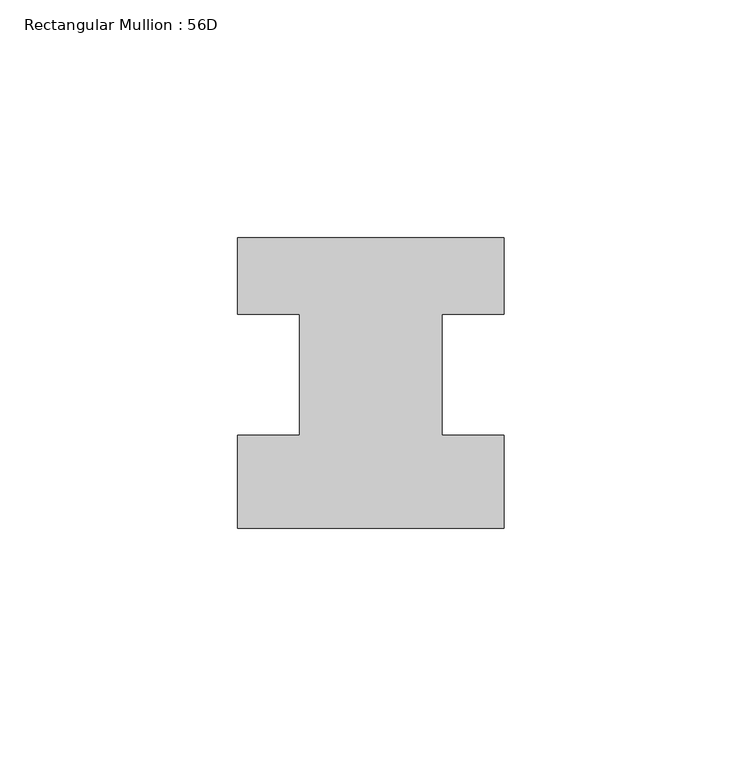
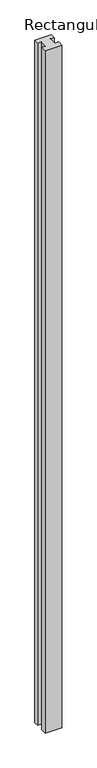
"""IFC4 building model written with IfcOpenShell, lengths in millimetres: member geometry, Rectangular Mullion : 56D."""

import ifcopenshell
import ifcopenshell.guid

model = None  # the IFC model being written
_history = None  # IfcOwnerHistory: only IFC2X3 demands one
_inside = {}  # id of a spatial element -> (the spatial element, [elements in it])
_under = {}  # id of a project, library or spatial element -> (it, [spatial elements below it])
_declared = {}  # id of a project -> (the project, [libraries it declares])
_typed = {}  # id of a type object -> (the type object, [elements of that type])
_made_of = {}  # id of a material, layer set ... -> (it, [elements and type objects made of it])


def new_model(schema):
    """Start an empty IFC model of exactly this schema.

    Asked for "IFC4X3", IfcOpenShell would pick the latest addendum, in which some entities
    have other attributes; the version numbers below select the first issue.
    IFC2X3 requires an IfcOwnerHistory on every rooted entity: one is made here for all.
    """
    global model, _history
    if schema == "IFC4X3":
        model = ifcopenshell.file(schema_version=(4, 3, 0, 0))
    else:
        model = ifcopenshell.file(schema=schema)
    _inside.clear()
    _under.clear()
    _declared.clear()
    _typed.clear()
    _made_of.clear()
    _history = None
    if model.schema == "IFC2X3":
        org = make("IfcOrganization", Name="unknown")
        user = make(
            "IfcPersonAndOrganization",
            ThePerson=make("IfcPerson", FamilyName="unknown"),
            TheOrganization=org,
        )
        app = make(
            "IfcApplication",
            ApplicationDeveloper=org,
            Version="unknown",
            ApplicationFullName="unknown",
            ApplicationIdentifier="unknown",
        )
        _history = make(
            "IfcOwnerHistory",
            OwningUser=user,
            OwningApplication=app,
            ChangeAction="ADDED",
            CreationDate=0,
        )
    return model


def make(cls, **values):
    """One entity of the class cls with the attributes given. An attribute that is None is left unset."""
    return model.create_entity(
        cls, **{name: value for name, value in values.items() if value is not None}
    )


def rooted(cls, **values):
    """An entity with a GlobalId (a new one), such as an element, a storey or a relation."""
    return make(cls, GlobalId=ifcopenshell.guid.new(), OwnerHistory=_history, **values)


def si_unit(unit_type, name, prefix=None):
    """IfcSIUnit, for example si_unit("LENGTHUNIT", "METRE", prefix="MILLI")."""
    return make("IfcSIUnit", UnitType=unit_type, Prefix=prefix, Name=name)


def assignment(units):
    """IfcUnitAssignment: the units of a project."""
    return None if units is None else make("IfcUnitAssignment", Units=units)


def point(xyz):
    """IfcCartesianPoint."""
    return None if xyz is None else make("IfcCartesianPoint", Coordinates=xyz)


def direction(xyz):
    """IfcDirection."""
    return None if xyz is None else make("IfcDirection", DirectionRatios=xyz)


def frame(location, z_axis=None, x_axis=None):
    """IfcAxis2Placement3D, a coordinate frame: its origin and axes. An axis left out is left unset."""
    return make(
        "IfcAxis2Placement3D",
        Location=point(location),
        Axis=direction(z_axis),
        RefDirection=direction(x_axis),
    )


def origin():
    """The frame at (0, 0, 0) with its axes left unset."""
    return frame((0.0, 0.0, 0.0))


def place(relative_to, where):
    """IfcLocalPlacement: puts the frame where relative to a parent placement (None: the world)."""
    return make(
        "IfcLocalPlacement", PlacementRelTo=relative_to, RelativePlacement=where
    )


def context(
    kind, dimensions, precision=None, world=None, true_north=None, identifier=None
):
    """IfcGeometricRepresentationContext, for example the 3D "Model" context."""
    return make(
        "IfcGeometricRepresentationContext",
        ContextIdentifier=identifier,
        ContextType=kind,
        CoordinateSpaceDimension=dimensions,
        Precision=precision,
        WorldCoordinateSystem=world,
        TrueNorth=true_north,
    )


def project(units=None, contexts=None):
    """IfcProject with its units and contexts."""
    return rooted(
        "IfcProject",
        Name="project",
        RepresentationContexts=contexts,
        UnitsInContext=assignment(units),
    )


def spatial(cls, under=None, at=None, **own):
    """A site, building, storey or space (cls), placed at a placement, below another one or the project."""
    s = rooted(cls, ObjectPlacement=at, **own)
    if under is not None:
        _under.setdefault(under.id(), (under, []))[1].append(s)
    return s


def polyline(points):
    """IfcPolyline through the points."""
    return make("IfcPolyline", Points=[point(p) for p in points])


def outline(outer, holes=None, kind="AREA"):
    """IfcArbitraryClosedProfileDef: a profile drawn as a closed curve; with holes, ...WithVoids."""
    if holes is None:
        return make("IfcArbitraryClosedProfileDef", ProfileType=kind, OuterCurve=outer)
    return make(
        "IfcArbitraryProfileDefWithVoids",
        ProfileType=kind,
        OuterCurve=outer,
        InnerCurves=holes,
    )


def extrude(swept, where, along, depth):
    """IfcExtrudedAreaSolid: the profile swept, set in the frame where, extruded along a direction by depth."""
    return make(
        "IfcExtrudedAreaSolid",
        SweptArea=swept,
        Position=where,
        ExtrudedDirection=direction(along),
        Depth=depth,
    )


def shape(context_of_items, identifier, shape_type, items):
    """IfcShapeRepresentation: the items that make up one representation, for example the "Body"."""
    return make(
        "IfcShapeRepresentation",
        ContextOfItems=context_of_items,
        RepresentationIdentifier=identifier,
        RepresentationType=shape_type,
        Items=items,
    )


def source(mapping_origin, context_of_items, identifier, shape_type, items):
    """IfcRepresentationMap: a shape defined once, which mapped items show again and again."""
    return make(
        "IfcRepresentationMap",
        MappingOrigin=mapping_origin,
        MappedRepresentation=shape(context_of_items, identifier, shape_type, items),
    )


def transform(
    local_origin,
    x_axis=None,
    y_axis=None,
    z_axis=None,
    scale=None,
    scale2=None,
    scale3=None,
    uniform=True,
):
    """IfcCartesianTransformationOperator3D, or its non-uniform kind. x_axis, y_axis, z_axis: its Axis1, 2, 3."""
    if uniform:
        return make(
            "IfcCartesianTransformationOperator3D",
            Axis1=direction(x_axis),
            Axis2=direction(y_axis),
            LocalOrigin=point(local_origin),
            Scale=scale,
            Axis3=direction(z_axis),
        )
    return make(
        "IfcCartesianTransformationOperator3DnonUniform",
        Axis1=direction(x_axis),
        Axis2=direction(y_axis),
        LocalOrigin=point(local_origin),
        Scale=scale,
        Axis3=direction(z_axis),
        Scale2=scale2,
        Scale3=scale3,
    )


def mapped(mapping_source, mapping_target):
    """IfcMappedItem: shows the shape of a source again, moved by a transform."""
    return make(
        "IfcMappedItem", MappingSource=mapping_source, MappingTarget=mapping_target
    )


def made_of(thing, what):
    """Note that an element or type object is made of a material, layer set ...; save() writes the relation."""
    if what is not None:
        _made_of.setdefault(what.id(), (what, []))[1].append(thing)
    return thing


def element(
    cls,
    number,
    at=None,
    inside=None,
    cuts=None,
    type_object=None,
    material=None,
    context=None,
    identifier="Body",
    shape_type=None,
    held_by="IfcProductDefinitionShape",
    body=None,
    shapes=None,
    **own,
):
    """One element of the class cls, such as IfcWall. Its Tag is "e" and its number.

    at: its placement. inside: the storey or other place that contains it. cuts: it is an
    opening in that element (IfcRelVoidsElement). A single representation is given by context,
    identifier, shape_type and body (its items); several are given by shapes. held_by: the class
    of the entity that holds the representations. save() writes the other relations.
    """
    e = rooted(cls, Tag="e%d" % number, ObjectPlacement=at, **own)
    if body is not None:
        shapes = [shape(context, identifier, shape_type, body)]
    if shapes is not None:
        e.Representation = make(held_by, Representations=shapes)
    if inside is not None:
        _inside.setdefault(inside.id(), (inside, []))[1].append(e)
    if cuts is not None:
        rooted(
            "IfcRelVoidsElement", RelatingBuildingElement=cuts, RelatedOpeningElement=e
        )
    if type_object is not None:
        _typed.setdefault(type_object.id(), (type_object, []))[1].append(e)
    return made_of(e, material)


def aggregate(whole, parts):
    """IfcRelAggregates: a whole, such as a stair, and the parts it consists of."""
    return rooted("IfcRelAggregates", RelatingObject=whole, RelatedObjects=parts)


def save(model, path):
    """Write the relations noted so far, then the file.

    IfcRelAggregates (storeys below a building ...), IfcRelContainedInSpatialStructure (elements
    in a storey), IfcRelDefinesByType, IfcRelAssociatesMaterial and IfcRelDeclares: one each for
    every whole, place, type object, material and project.
    """
    for whole, parts in _under.values():
        aggregate(whole, parts)
    for where, things in _inside.values():
        rooted(
            "IfcRelContainedInSpatialStructure",
            RelatedElements=things,
            RelatingStructure=where,
        )
    for kind, things in _typed.values():
        rooted("IfcRelDefinesByType", RelatedObjects=things, RelatingType=kind)
    for what, things in _made_of.values():
        rooted("IfcRelAssociatesMaterial", RelatedObjects=things, RelatingMaterial=what)
    for by, libraries in _declared.values():
        rooted("IfcRelDeclares", RelatingContext=by, RelatedDefinitions=libraries)
    model.write(path)


def rectangular_mullion_56d_c5c21e0e(model_context):
    return source(origin(), model_context, "Body", "SweptSolid", [
        extrude(outline(polyline([(28.0, -20.0), (-28.0, -20.0), (-28.0, -0.5), (-15.0, -0.5), (-15.0, 25.0), (-28.0, 25.0), (-28.0, 41.0), (28.0, 41.0), (28.0, 25.0), (15.0, 25.0), (15.0, -0.5), (28.0, -0.5), (28.0, -20.0)])), frame((0.0, 0.0, -2444.0), z_axis=(0.0, 0.0, 1.0), x_axis=(1.0, 0.0, 0.0)), (0.0, 0.0, 1.0), 2444.0),
    ])


if __name__ == "__main__":
    model = new_model("IFC4")
    model_context = context("Model", 3, world=origin())
    ifc_project = project(units=[si_unit("LENGTHUNIT", "METRE", prefix="MILLI")], contexts=[model_context])
    site = spatial("IfcSite", under=ifc_project)
    building = spatial("IfcBuilding", under=site)
    placement = place(None, origin())
    rectangular_mullion_56d_shape = rectangular_mullion_56d_c5c21e0e(model_context)
    element("IfcMember", 1, ObjectType="Rectangular Mullion : 56D", at=placement, inside=building, context=model_context, shape_type="MappedRepresentation", body=[
        mapped(rectangular_mullion_56d_shape, transform((0.0, 0.0, 0.0), x_axis=(1.0, 0.0, 0.0), y_axis=(0.0, 1.0, 0.0), z_axis=(0.0, 0.0, 1.0))),
    ])
    save(model, "model.ifc")
